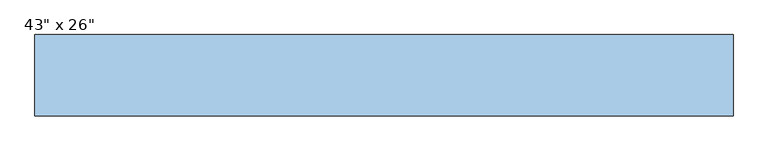
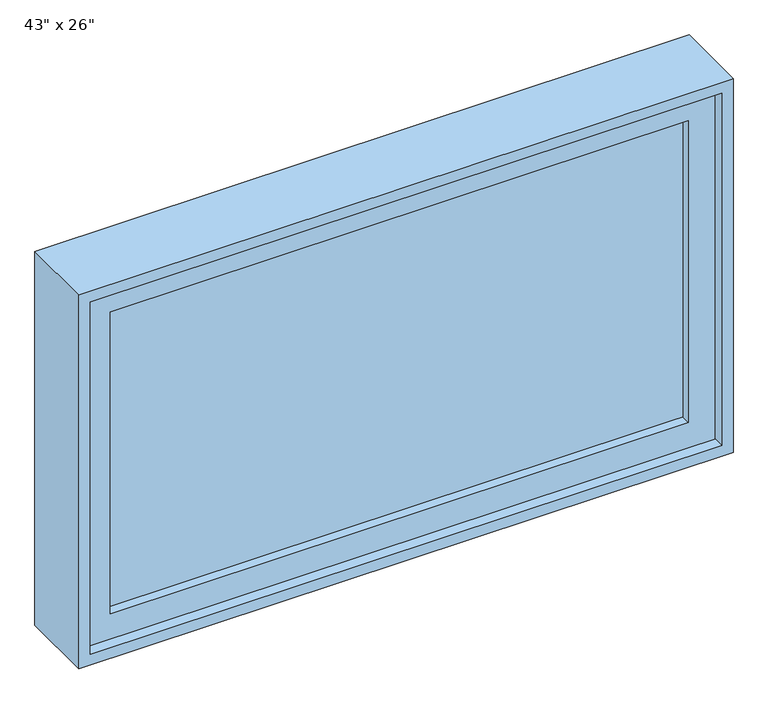
"""IFC4 building model written with IfcOpenShell, lengths in millimetres: window geometry."""

from ifc_helpers import new_model, si_unit, frame, origin, place, context, project, spatial, polyline, outline, extrude, source, transform, mapped, element, save


def window_09f4cd99(model_context):
    return source(origin(), model_context, "Body", "SweptSolid", [
        extrude(outline(polyline([(1555.75, 527.05), (1555.75, -527.05), (933.45, -527.05), (933.45, 527.05), (1555.75, 527.05)]), holes=[polyline([(1511.3, 482.6), (977.9, 482.6), (977.9, -482.6), (1511.3, -482.6), (1511.3, 482.6)])]), frame((0.0, 11.1125, 0.0), z_axis=(0.0, 1.0, 0.0), x_axis=(0.0, 0.0, 1.0)), (0.0, 0.0, 1.0), 44.45),
        extrude(outline(polyline([(482.6, 39.6875), (482.6, 26.9875), (-482.6, 26.9875), (-482.6, 39.6875), (482.6, 39.6875)])), frame((0.0, 0.0, 977.9), z_axis=(0.0, 0.0, 1.0), x_axis=(1.0, 0.0, 0.0)), (0.0, 0.0, 1.0), 533.4),
        extrude(outline(polyline([(914.4, -546.1), (914.4, 546.1), (1574.8, 546.1), (1574.8, -546.1), (914.4, -546.1)]), holes=[polyline([(1555.75, 527.05), (933.45, 527.05), (933.45, -527.05), (1555.75, -527.05), (1555.75, 527.05)])]), frame((0.0, -7.9375, 0.0), z_axis=(0.0, 1.0, 0.0), x_axis=(0.0, 0.0, 1.0)), (0.0, 0.0, 1.0), 127.0),
    ])


if __name__ == "__main__":
    model = new_model("IFC4")
    model_context = context("Model", 3, world=origin())
    ifc_project = project(units=[si_unit("LENGTHUNIT", "METRE", prefix="MILLI")], contexts=[model_context])
    site = spatial("IfcSite", under=ifc_project)
    building = spatial("IfcBuilding", under=site)
    placement = place(None, origin())
    window_shape = window_09f4cd99(model_context)
    element("IfcWindow", 1, ObjectType="43\" x 26\"", at=placement, inside=building, context=model_context, shape_type="MappedRepresentation", body=[
        mapped(window_shape, transform((0.0, 0.0, 0.0), x_axis=(1.0, 0.0, 0.0), y_axis=(0.0, 1.0, 0.0), z_axis=(0.0, 0.0, 1.0))),
    ])
    save(model, "model.ifc")
